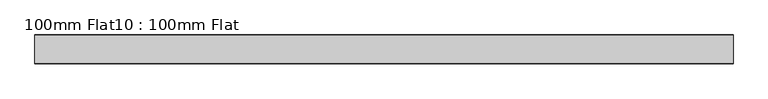
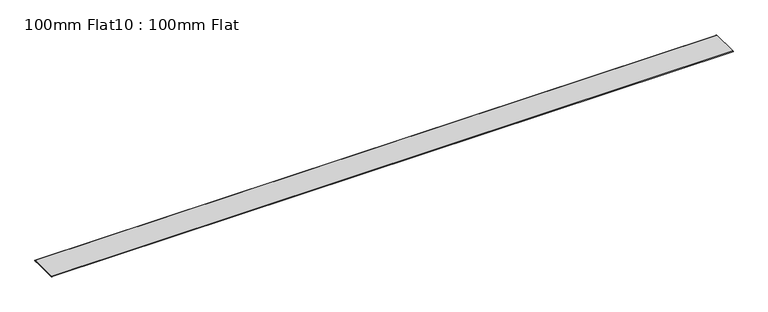
"""IFC4 building model written with IfcOpenShell, lengths in millimetres: proxy geometry, 100mm Flat10 : 100mm Flat."""

from ifc_helpers import new_model, si_unit, point, frame, frame_2d, origin, place, context, project, spatial, polyline, circle_curve, trimmed, segment, composite_curve, outline, extrude, source, transform, mapped, element, save


def proxy_100mm_flat10_100mm_flat_891c8dc7(model_context):
    return source(origin(), model_context, "Body", "SweptSolid", [
        extrude(outline(composite_curve([segment(trimmed(circle_curve(frame_2d((-16721.1472069, 1529.3887139)), 1.0), [point((-16721.1472069, 1530.3887139))], [point((-16721.1472069, 1528.3887139))], False, "CARTESIAN"), True, "CONTINUOUS"), segment(polyline([(-16721.1472069, 1528.3887139), (-16729.1538346, 1528.3887139), (-16729.1538346, 1529.3887139), (-16810.1472069, 1529.3887139), (-16810.1472069, 1528.3887139), (-16819.1538346, 1528.3887139)]), True, "CONTINUOUS"), segment(trimmed(circle_curve(frame_2d((-16819.1538346, 1529.3887139)), 1.0), [point((-16819.1538346, 1528.3887139))], [point((-16819.1538346, 1530.3887139))], False, "CARTESIAN"), True, "CONTINUOUS"), segment(polyline([(-16819.1538346, 1530.3887139), (-16721.1472069, 1530.3887139)]), True, "CONTINUOUS")], self_intersect=False)), frame((1587.2209787, 0.0, 0.0), z_axis=(1.0, 0.0, 0.0), x_axis=(0.0, 1.0, 0.0)), (0.0, 0.0, 1.0), 2409.6850155),
    ])


if __name__ == "__main__":
    model = new_model("IFC4")
    model_context = context("Model", 3, world=origin())
    ifc_project = project(units=[si_unit("LENGTHUNIT", "METRE", prefix="MILLI")], contexts=[model_context])
    site = spatial("IfcSite", under=ifc_project)
    building = spatial("IfcBuilding", under=site)
    placement = place(None, origin())
    proxy_100mm_flat10_100mm_flat_shape = proxy_100mm_flat10_100mm_flat_891c8dc7(model_context)
    element("IfcBuildingElementProxy", 1, Name="100mm Flat10 : 100mm Flat", ObjectType="100mm Flat10 : 100mm Flat", at=placement, inside=building, context=model_context, shape_type="MappedRepresentation", body=[
        mapped(proxy_100mm_flat10_100mm_flat_shape, transform((0.0, 0.0, 0.0), x_axis=(1.0, 0.0, 0.0), y_axis=(0.0, 1.0, 0.0), z_axis=(0.0, 0.0, 1.0))),
    ])
    save(model, "model.ifc")
